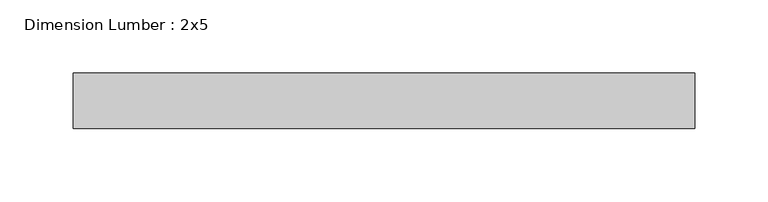
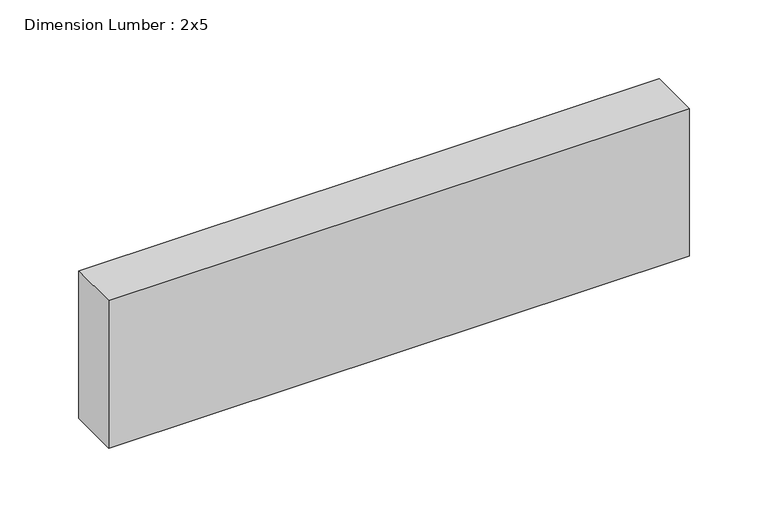
"""IFC4 building model written with IfcOpenShell, lengths in millimetres: beam geometry, Dimension Lumber : 2x5."""

from ifc_helpers import new_model, si_unit, frame, origin, place, context, project, spatial, polyline, outline, extrude, source, transform, mapped, element, save


def dimension_lumber_2x5_41bead23(model_context):
    return source(origin(), model_context, "Body", "SweptSolid", [
        extrude(outline(polyline([(212.72973, 19.05), (212.72973, -19.05), (-212.1409641, -19.05), (-212.1409641, 19.05), (212.72973, 19.05)])), frame((0.0, 0.0, -57.15), z_axis=(0.0, 0.0, 1.0), x_axis=(1.0, 0.0, 0.0)), (0.0, 0.0, 1.0), 114.3),
    ])


if __name__ == "__main__":
    model = new_model("IFC4")
    model_context = context("Model", 3, world=origin())
    ifc_project = project(units=[si_unit("LENGTHUNIT", "METRE", prefix="MILLI")], contexts=[model_context])
    site = spatial("IfcSite", under=ifc_project)
    building = spatial("IfcBuilding", under=site)
    placement = place(None, origin())
    dimension_lumber_2x5_shape = dimension_lumber_2x5_41bead23(model_context)
    element("IfcBeam", 1, ObjectType="Dimension Lumber : 2x5", at=placement, inside=building, context=model_context, shape_type="MappedRepresentation", body=[
        mapped(dimension_lumber_2x5_shape, transform((0.0, 0.0, 0.0), x_axis=(1.0, 0.0, 0.0), y_axis=(0.0, 1.0, 0.0), z_axis=(0.0, 0.0, 1.0))),
    ])
    save(model, "model.ifc")
